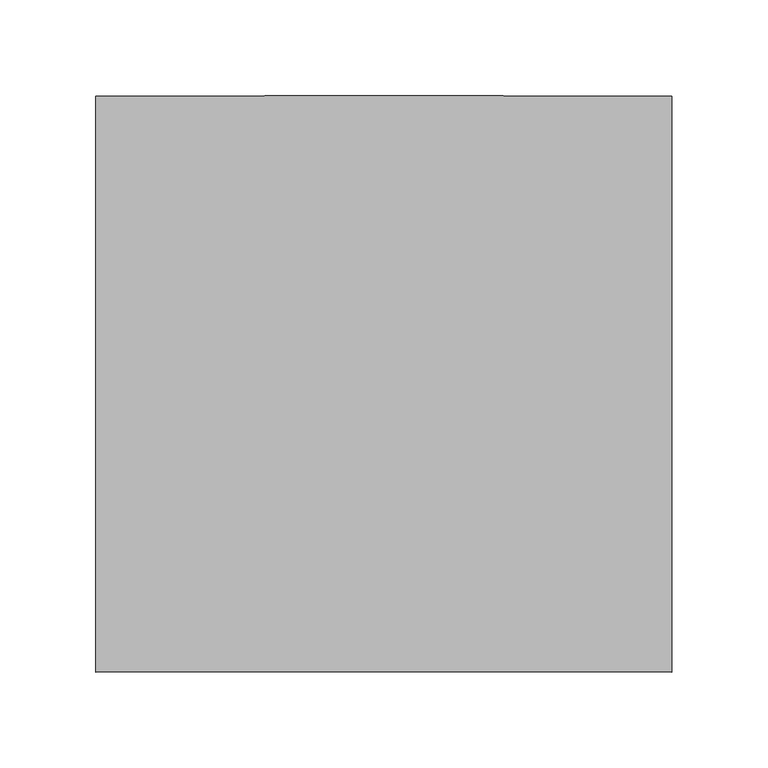
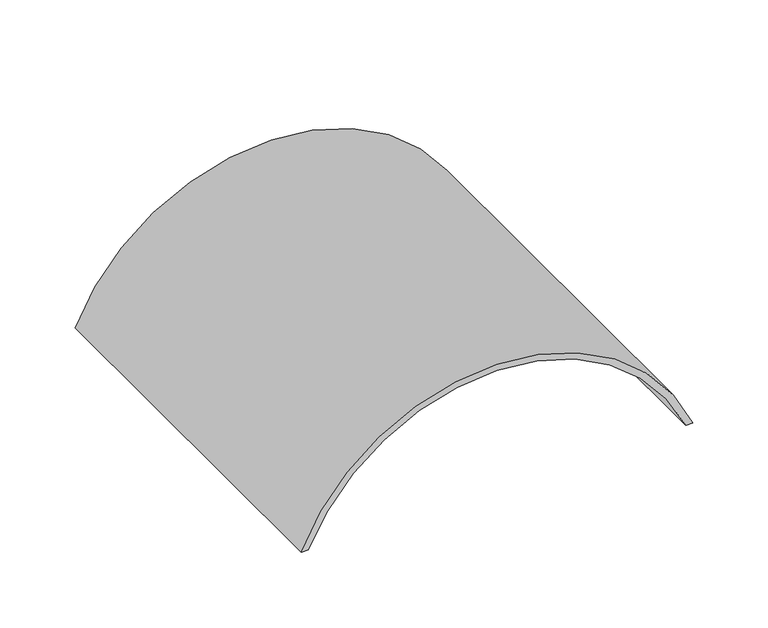
"""IFC4 building model written with IfcOpenShell, lengths in millimetres: light fixture geometry."""

from ifc_helpers import new_model, si_unit, point, frame, frame_2d, origin, place, context, project, spatial, polyline, circle_curve, trimmed, segment, composite_curve, outline, extrude, source, transform, mapped, element, save


def light_fixture_e8199357(model_context):
    return source(origin(), model_context, "Body", "SweptSolid", [
        extrude(outline(composite_curve([segment(trimmed(circle_curve(frame_2d((-62.5, 0.0)), 162.5), [point((0.0, 150.0))], [point((0.0, -150.0))], False, "CARTESIAN"), True, "CONTINUOUS"), segment(polyline([(0.0, -150.0), (0.0, -144.5683229)]), True, "CONTINUOUS"), segment(trimmed(circle_curve(frame_2d((-62.5, 0.0)), 157.5), [point((0.0, -144.5683229))], [point((0.0, 144.5683229))], True, "CARTESIAN"), True, "CONTINUOUS"), segment(polyline([(0.0, 144.5683229), (0.0, 150.0)]), True, "CONTINUOUS")], self_intersect=False)), frame((0.0, 0.0, 0.0), z_axis=(0.0, 1.0, 0.0), x_axis=(0.0, 0.0, 1.0)), (0.0, 0.0, 1.0), 300.0),
    ])


if __name__ == "__main__":
    model = new_model("IFC4")
    model_context = context("Model", 3, world=origin())
    ifc_project = project(units=[si_unit("LENGTHUNIT", "METRE", prefix="MILLI")], contexts=[model_context])
    site = spatial("IfcSite", under=ifc_project)
    building = spatial("IfcBuilding", under=site)
    placement = place(None, origin())
    light_fixture_shape = light_fixture_e8199357(model_context)
    element("IfcLightFixture", 1, at=placement, inside=building, context=model_context, shape_type="MappedRepresentation", body=[
        mapped(light_fixture_shape, transform((0.0, 0.0, 0.0), x_axis=(1.0, 0.0, 0.0), y_axis=(0.0, 1.0, 0.0), z_axis=(0.0, 0.0, 1.0))),
    ])
    save(model, "model.ifc")
